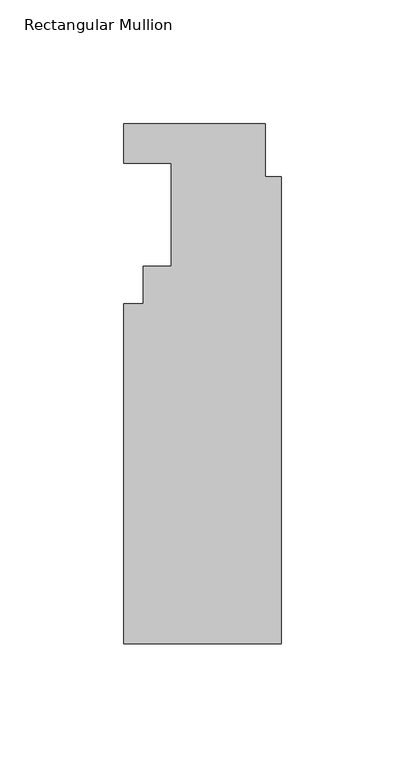
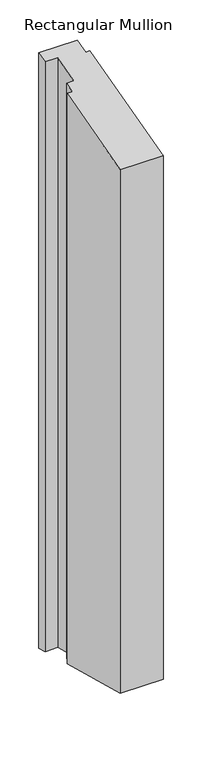
"""IFC4 building model written with IfcOpenShell, lengths in millimetres: member geometry, Rectangular Mullion."""

import ifcopenshell
import ifcopenshell.guid

model = None  # the IFC model being written
_history = None  # IfcOwnerHistory: only IFC2X3 demands one
_inside = {}  # id of a spatial element -> (the spatial element, [elements in it])
_under = {}  # id of a project, library or spatial element -> (it, [spatial elements below it])
_declared = {}  # id of a project -> (the project, [libraries it declares])
_typed = {}  # id of a type object -> (the type object, [elements of that type])
_made_of = {}  # id of a material, layer set ... -> (it, [elements and type objects made of it])


def new_model(schema):
    """Start an empty IFC model of exactly this schema.

    Asked for "IFC4X3", IfcOpenShell would pick the latest addendum, in which some entities
    have other attributes; the version numbers below select the first issue.
    IFC2X3 requires an IfcOwnerHistory on every rooted entity: one is made here for all.
    """
    global model, _history
    if schema == "IFC4X3":
        model = ifcopenshell.file(schema_version=(4, 3, 0, 0))
    else:
        model = ifcopenshell.file(schema=schema)
    _inside.clear()
    _under.clear()
    _declared.clear()
    _typed.clear()
    _made_of.clear()
    _history = None
    if model.schema == "IFC2X3":
        org = make("IfcOrganization", Name="unknown")
        user = make(
            "IfcPersonAndOrganization",
            ThePerson=make("IfcPerson", FamilyName="unknown"),
            TheOrganization=org,
        )
        app = make(
            "IfcApplication",
            ApplicationDeveloper=org,
            Version="unknown",
            ApplicationFullName="unknown",
            ApplicationIdentifier="unknown",
        )
        _history = make(
            "IfcOwnerHistory",
            OwningUser=user,
            OwningApplication=app,
            ChangeAction="ADDED",
            CreationDate=0,
        )
    return model


def make(cls, **values):
    """One entity of the class cls with the attributes given. An attribute that is None is left unset."""
    return model.create_entity(
        cls, **{name: value for name, value in values.items() if value is not None}
    )


def rooted(cls, **values):
    """An entity with a GlobalId (a new one), such as an element, a storey or a relation."""
    return make(cls, GlobalId=ifcopenshell.guid.new(), OwnerHistory=_history, **values)


def si_unit(unit_type, name, prefix=None):
    """IfcSIUnit, for example si_unit("LENGTHUNIT", "METRE", prefix="MILLI")."""
    return make("IfcSIUnit", UnitType=unit_type, Prefix=prefix, Name=name)


def assignment(units):
    """IfcUnitAssignment: the units of a project."""
    return None if units is None else make("IfcUnitAssignment", Units=units)


def point(xyz):
    """IfcCartesianPoint."""
    return None if xyz is None else make("IfcCartesianPoint", Coordinates=xyz)


def direction(xyz):
    """IfcDirection."""
    return None if xyz is None else make("IfcDirection", DirectionRatios=xyz)


def frame(location, z_axis=None, x_axis=None):
    """IfcAxis2Placement3D, a coordinate frame: its origin and axes. An axis left out is left unset."""
    return make(
        "IfcAxis2Placement3D",
        Location=point(location),
        Axis=direction(z_axis),
        RefDirection=direction(x_axis),
    )


def origin():
    """The frame at (0, 0, 0) with its axes left unset."""
    return frame((0.0, 0.0, 0.0))


def place(relative_to, where):
    """IfcLocalPlacement: puts the frame where relative to a parent placement (None: the world)."""
    return make(
        "IfcLocalPlacement", PlacementRelTo=relative_to, RelativePlacement=where
    )


def context(
    kind, dimensions, precision=None, world=None, true_north=None, identifier=None
):
    """IfcGeometricRepresentationContext, for example the 3D "Model" context."""
    return make(
        "IfcGeometricRepresentationContext",
        ContextIdentifier=identifier,
        ContextType=kind,
        CoordinateSpaceDimension=dimensions,
        Precision=precision,
        WorldCoordinateSystem=world,
        TrueNorth=true_north,
    )


def project(units=None, contexts=None):
    """IfcProject with its units and contexts."""
    return rooted(
        "IfcProject",
        Name="project",
        RepresentationContexts=contexts,
        UnitsInContext=assignment(units),
    )


def spatial(cls, under=None, at=None, **own):
    """A site, building, storey or space (cls), placed at a placement, below another one or the project."""
    s = rooted(cls, ObjectPlacement=at, **own)
    if under is not None:
        _under.setdefault(under.id(), (under, []))[1].append(s)
    return s


def faces_of(points, faces, orient=None, outer=None):
    """IfcFace entities. A face is a list of loops; a loop is a list of indices into points, from 0.

    orient and outer hold one flag for each loop. By default every Orientation is true, the
    first loop of a face is its IfcFaceOuterBound and the others are IfcFaceBound.
    """
    made = []
    for i, loops in enumerate(faces):
        bounds = []
        for j, loop in enumerate(loops):
            is_outer = j == 0 if outer is None else outer[i][j]
            bounds.append(
                make(
                    "IfcFaceOuterBound" if is_outer else "IfcFaceBound",
                    Bound=make("IfcPolyLoop", Polygon=[points[k] for k in loop]),
                    Orientation=True if orient is None else orient[i][j],
                )
            )
        made.append(make("IfcFace", Bounds=bounds))
    return made


def faceted_brep(points, faces, orient=None, outer=None, voids=None):
    """IfcFacetedBrep: a solid bounded by flat faces; with voids (closed shells), ...WithVoids."""
    shared = [point(p) for p in points]
    hull = make("IfcClosedShell", CfsFaces=faces_of(shared, faces, orient, outer))
    if voids is None:
        return make("IfcFacetedBrep", Outer=hull)
    return make(
        "IfcFacetedBrepWithVoids",
        Outer=hull,
        Voids=[
            make(cls, CfsFaces=faces_of(shared, fs, o, b)) for cls, fs, o, b in voids
        ],
    )


def shape(context_of_items, identifier, shape_type, items):
    """IfcShapeRepresentation: the items that make up one representation, for example the "Body"."""
    return make(
        "IfcShapeRepresentation",
        ContextOfItems=context_of_items,
        RepresentationIdentifier=identifier,
        RepresentationType=shape_type,
        Items=items,
    )


def source(mapping_origin, context_of_items, identifier, shape_type, items):
    """IfcRepresentationMap: a shape defined once, which mapped items show again and again."""
    return make(
        "IfcRepresentationMap",
        MappingOrigin=mapping_origin,
        MappedRepresentation=shape(context_of_items, identifier, shape_type, items),
    )


def transform(
    local_origin,
    x_axis=None,
    y_axis=None,
    z_axis=None,
    scale=None,
    scale2=None,
    scale3=None,
    uniform=True,
):
    """IfcCartesianTransformationOperator3D, or its non-uniform kind. x_axis, y_axis, z_axis: its Axis1, 2, 3."""
    if uniform:
        return make(
            "IfcCartesianTransformationOperator3D",
            Axis1=direction(x_axis),
            Axis2=direction(y_axis),
            LocalOrigin=point(local_origin),
            Scale=scale,
            Axis3=direction(z_axis),
        )
    return make(
        "IfcCartesianTransformationOperator3DnonUniform",
        Axis1=direction(x_axis),
        Axis2=direction(y_axis),
        LocalOrigin=point(local_origin),
        Scale=scale,
        Axis3=direction(z_axis),
        Scale2=scale2,
        Scale3=scale3,
    )


def mapped(mapping_source, mapping_target):
    """IfcMappedItem: shows the shape of a source again, moved by a transform."""
    return make(
        "IfcMappedItem", MappingSource=mapping_source, MappingTarget=mapping_target
    )


def made_of(thing, what):
    """Note that an element or type object is made of a material, layer set ...; save() writes the relation."""
    if what is not None:
        _made_of.setdefault(what.id(), (what, []))[1].append(thing)
    return thing


def element(
    cls,
    number,
    at=None,
    inside=None,
    cuts=None,
    type_object=None,
    material=None,
    context=None,
    identifier="Body",
    shape_type=None,
    held_by="IfcProductDefinitionShape",
    body=None,
    shapes=None,
    **own,
):
    """One element of the class cls, such as IfcWall. Its Tag is "e" and its number.

    at: its placement. inside: the storey or other place that contains it. cuts: it is an
    opening in that element (IfcRelVoidsElement). A single representation is given by context,
    identifier, shape_type and body (its items); several are given by shapes. held_by: the class
    of the entity that holds the representations. save() writes the other relations.
    """
    e = rooted(cls, Tag="e%d" % number, ObjectPlacement=at, **own)
    if body is not None:
        shapes = [shape(context, identifier, shape_type, body)]
    if shapes is not None:
        e.Representation = make(held_by, Representations=shapes)
    if inside is not None:
        _inside.setdefault(inside.id(), (inside, []))[1].append(e)
    if cuts is not None:
        rooted(
            "IfcRelVoidsElement", RelatingBuildingElement=cuts, RelatedOpeningElement=e
        )
    if type_object is not None:
        _typed.setdefault(type_object.id(), (type_object, []))[1].append(e)
    return made_of(e, material)


def aggregate(whole, parts):
    """IfcRelAggregates: a whole, such as a stair, and the parts it consists of."""
    return rooted("IfcRelAggregates", RelatingObject=whole, RelatedObjects=parts)


def save(model, path):
    """Write the relations noted so far, then the file.

    IfcRelAggregates (storeys below a building ...), IfcRelContainedInSpatialStructure (elements
    in a storey), IfcRelDefinesByType, IfcRelAssociatesMaterial and IfcRelDeclares: one each for
    every whole, place, type object, material and project.
    """
    for whole, parts in _under.values():
        aggregate(whole, parts)
    for where, things in _inside.values():
        rooted(
            "IfcRelContainedInSpatialStructure",
            RelatedElements=things,
            RelatingStructure=where,
        )
    for kind, things in _typed.values():
        rooted("IfcRelDefinesByType", RelatedObjects=things, RelatingType=kind)
    for what, things in _made_of.values():
        rooted("IfcRelAssociatesMaterial", RelatedObjects=things, RelatingMaterial=what)
    for by, libraries in _declared.values():
        rooted("IfcRelDeclares", RelatingContext=by, RelatedDefinitions=libraries)
    model.write(path)


def rectangular_mullion_5a6a3fda(model_context):
    return source(origin(), model_context, "Body", "Brep", [
        faceted_brep([(-63.5, 4.746625, 1.2718543), (-63.5, 20.621625, 5.5255478), (-63.5, 20.621625, -929.9651814), (-63.5, 4.746625, -925.711488), (-44.45, 4.746625, 1.2718543), (-44.45, 4.746625, -925.711488), (-44.45, -36.909375, -9.8898372), (-44.45, -36.909375, -914.5497964), (-55.5752, -36.909375, -9.8898372), (-55.5752, -36.909375, -914.5497964), (-55.5752, -51.971575, -13.9257416), (-55.5752, -51.971575, -910.5138921), (-63.5, -51.971575, -13.9257416), (-63.5, -51.971575, -910.5138921), (-63.5, -189.309375, -50.7252942), (-63.5, -189.309375, -873.7143395), (0.0, -189.309375, -50.7252942), (0.0, -189.309375, -873.7143395), (0.0, -0.663575, -0.1778044), (0.0, -0.663575, -924.2618293), (-6.35, -0.663575, -0.1778044), (-6.35, -0.663575, -924.2618293), (-6.35, 20.621625, 5.5255478), (-6.35, 20.621625, -929.9651814)], [[[0, 1, 2, 3]], [[4, 0, 3, 5]], [[6, 4, 5, 7]], [[8, 6, 7, 9]], [[10, 8, 9, 11]], [[12, 10, 11, 13]], [[14, 12, 13, 15]], [[16, 14, 15, 17]], [[18, 16, 17, 19]], [[20, 18, 19, 21]], [[22, 20, 21, 23]], [[1, 22, 23, 2]], [[1, 0, 4, 6, 8, 10, 12, 14, 16, 18, 20, 22]], [[2, 23, 21, 19, 17, 15, 13, 11, 9, 7, 5, 3]]]),
    ])


if __name__ == "__main__":
    model = new_model("IFC4")
    model_context = context("Model", 3, world=origin())
    ifc_project = project(units=[si_unit("LENGTHUNIT", "METRE", prefix="MILLI")], contexts=[model_context])
    site = spatial("IfcSite", under=ifc_project)
    building = spatial("IfcBuilding", under=site)
    placement = place(None, origin())
    rectangular_mullion_shape = rectangular_mullion_5a6a3fda(model_context)
    element("IfcMember", 1, ObjectType="Rectangular Mullion", at=placement, inside=building, context=model_context, shape_type="MappedRepresentation", body=[
        mapped(rectangular_mullion_shape, transform((0.0, 0.0, 0.0), x_axis=(1.0, 0.0, 0.0), y_axis=(0.0, 1.0, 0.0), z_axis=(0.0, 0.0, 1.0))),
    ])
    save(model, "model.ifc")
